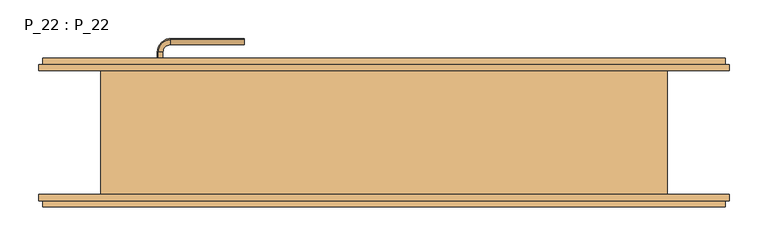
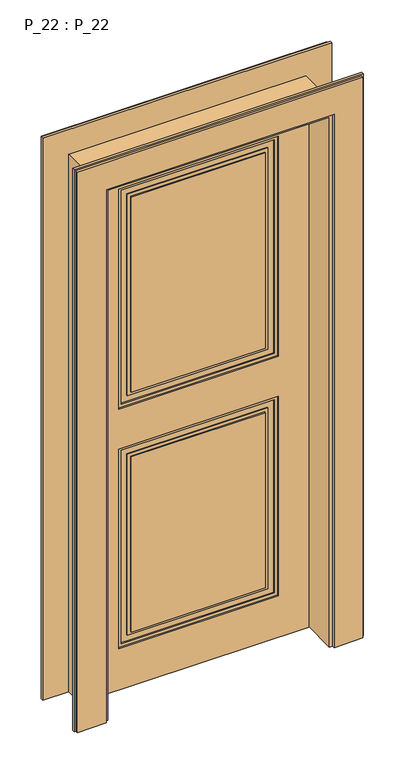
"""IFC4 building model written with IfcOpenShell, lengths in millimetres: door geometry, P_22 : P_22."""

from ifc_helpers import new_model, si_unit, point, frame, frame_2d, origin, origin_with_axes, place, context, project, spatial, polyline, circle_curve, ellipse_curve, trimmed, segment, composite_curve, outline, extrude, faceted_brep, source, transform, mapped, element, save
from ifc_brep_helpers import plane_surface, cylinder_surface, revolved_surface, extruded_surface, advanced_brep


def p_22_p_22_3d473e9b(model_context):
    return source(origin(), model_context, "Body", "SolidModel", [
        advanced_brep(
        [(-292.2384844, 79.0, 1113.1672527), (-287.7615156, 79.0, 1113.1672527), (-290.0, 79.0, 1113.1672527), (-290.0, 79.9065589, 1113.1672527)],
        [
            (0, 1, circle_curve(frame((-290.0, 79.0, 1113.1672527), z_axis=(0.0, -1.0, 0.0), x_axis=(1.0, 0.0, 0.0)), 2.2384844)),
            (1, 2),
            (2, 0),
            (1, 0, circle_curve(frame((-290.0, 79.0, 1113.1672527), z_axis=(0.0, -1.0, 0.0), x_axis=(1.0, 0.0, 0.0)), 2.2384844)),
            (3, 1, circle_curve(frame((-290.0, 76.6896352, 1113.1672527), z_axis=(0.0, 0.0, -1.0), x_axis=(0.0, 1.0, 0.0)), 3.2169236)),
            (0, 3, circle_curve(frame((-290.0, 76.6896352, 1113.1672527), z_axis=(0.0, 0.0, -1.0), x_axis=(0.0, 1.0, 0.0)), 3.2169236)),
        ],
        [
            plane_surface(frame((-290.0, 79.0, 1113.1672527), z_axis=(0.0, -1.0, 0.0), x_axis=(1.0, 0.0, 0.0))),
            revolved_surface(trimmed(ellipse_curve(frame((-290.0, 76.6896352, 1113.1672527), z_axis=(0.0, 0.0, 1.0), x_axis=(0.0, 1.0, 0.0)), 3.2169236, 3.2169236), [point((-287.7615156, 79.0, 1113.1672527))], [point((-290.0, 79.9065589, 1113.1672527))], True, "CARTESIAN"), (-290.0, 73.3869836, 1113.1672527), (0.0, 1.0, 0.0)),
        ],
        [
            (0, [[1, 2, 3]]),
            (0, [[4, -3, -2]]),
            (1, [[5, -1, 6]]),
            (1, [[-6, -4, -5]]),
        ],
    ),
        advanced_brep(
        [(-291.2627725, 88.5, 1057.25687), (-290.4701466, 88.5, 1054.910789), (-290.4701466, 88.5, 1045.089211), (-291.8631279, 88.5, 1043.0401367), (-180.0, 120.2627725, 1057.25687), (-180.0, 120.8631279, 1043.0401367), (-180.0, 119.4701466, 1045.089211), (-180.0, 119.4701466, 1054.910789), (-291.8631279, 104.0, 1043.0401367), (-291.2627725, 104.0, 1057.25687), (-275.0, 120.2627725, 1057.25687), (-275.0, 120.8631279, 1043.0401367), (-290.4701466, 104.0, 1054.910789), (-290.4701466, 104.0, 1045.089211), (-275.0, 119.4701466, 1054.910789), (-275.0, 119.4701466, 1045.089211)],
        [
            (0, 1, circle_curve(frame((-291.0289365, 88.5, 1056.0289365), z_axis=(0.0, -1.0, 0.0), x_axis=(-1.0, 0.0, 0.0)), 1.25)),
            (1, 2, ellipse_curve(frame((-290.0, 88.5, 1050.0), z_axis=(0.0, 1.0, 0.0), x_axis=(1.0, 0.0, 0.0)), 2.5, 5.0)),
            (2, 3, circle_curve(frame((-291.0289365, 88.5, 1043.9710635), z_axis=(0.0, -1.0, 0.0), x_axis=(-1.0, 0.0, 0.0)), 1.25)),
            (3, 0, ellipse_curve(frame((-290.0, 88.5, 1050.0), z_axis=(0.0, -1.0, 0.0), x_axis=(0.0, 0.0, -1.0)), 7.5, 5.0)),
            (4, 5, ellipse_curve(frame((-180.0, 119.0, 1050.0), z_axis=(1.0, 0.0, 0.0), x_axis=(0.0, 0.0, -1.0)), 7.5, 5.0)),
            (5, 6, circle_curve(frame((-180.0, 120.0289365, 1043.9710635), z_axis=(1.0, 0.0, 0.0), x_axis=(0.0, 1.0, 0.0)), 1.25)),
            (6, 7, ellipse_curve(frame((-180.0, 119.0, 1050.0), z_axis=(-1.0, 0.0, 0.0), x_axis=(0.0, -1.0, 0.0)), 2.5, 5.0)),
            (7, 4, circle_curve(frame((-180.0, 120.0289365, 1056.0289365), z_axis=(1.0, 0.0, 0.0), x_axis=(0.0, 1.0, 0.0)), 1.25)),
            (3, 8),
            (8, 9, ellipse_curve(frame((-290.0, 104.0, 1050.0), z_axis=(0.0, -1.0, 0.0), x_axis=(0.0, 0.0, -1.0)), 7.5, 5.0)),
            (9, 0),
            (10, 11, ellipse_curve(frame((-275.0, 119.0, 1050.0), z_axis=(1.0, 0.0, 0.0), x_axis=(0.0, 0.0, -1.0)), 7.5, 5.0)),
            (11, 5),
            (4, 10),
            (9, 12, circle_curve(frame((-291.0289365, 104.0, 1056.0289365), z_axis=(0.0, -1.0, 0.0), x_axis=(-1.0, 0.0, 0.0)), 1.25)),
            (12, 1),
            (12, 13, ellipse_curve(frame((-290.0, 104.0, 1050.0), z_axis=(0.0, 1.0, 0.0), x_axis=(0.0, 0.0, -1.0)), 5.0, 2.5)),
            (13, 2),
            (13, 8, circle_curve(frame((-291.0289365, 104.0, 1043.9710635), z_axis=(0.0, -1.0, 0.0), x_axis=(-1.0, 0.0, 0.0)), 1.25)),
            (14, 10, circle_curve(frame((-275.0, 120.0289365, 1056.0289365), z_axis=(1.0, 0.0, 0.0), x_axis=(0.0, 1.0, 0.0)), 1.25)),
            (7, 14),
            (15, 14, ellipse_curve(frame((-275.0, 119.0, 1050.0), z_axis=(-1.0, 0.0, 0.0), x_axis=(0.0, 0.0, -1.0)), 5.0, 2.5)),
            (6, 15),
            (11, 15, circle_curve(frame((-275.0, 120.0289365, 1043.9710635), z_axis=(1.0, 0.0, 0.0), x_axis=(0.0, 1.0, 0.0)), 1.25)),
            (14, 12, circle_curve(frame((-275.0, 104.0, 1054.910789), z_axis=(0.0, 0.0, 1.0), x_axis=(-1.0, 0.0, 0.0)), 15.4701466)),
            (9, 10, circle_curve(frame((-275.0, 104.0, 1057.25687), z_axis=(0.0, 0.0, -1.0), x_axis=(-1.0, 0.0, 0.0)), 16.2627725)),
            (15, 13, circle_curve(frame((-275.0, 104.0, 1045.089211), z_axis=(0.0, 0.0, 1.0), x_axis=(-1.0, 0.0, 0.0)), 15.4701466)),
            (11, 8, circle_curve(frame((-275.0, 104.0, 1043.0401367), z_axis=(0.0, 0.0, 1.0), x_axis=(-1.0, 0.0, 0.0)), 16.8631279)),
        ],
        [
            plane_surface(frame((-290.0, 88.5, -80.0), z_axis=(0.0, -1.0, 0.0), x_axis=(0.0, 0.0, 1.0))),
            plane_surface(frame((-180.0, 119.0, -80.0), z_axis=(1.0, 0.0, 0.0), x_axis=(0.0, 0.0, 1.0))),
            extruded_surface(trimmed(ellipse_curve(frame((-290.0, 104.0, 1050.0), z_axis=(0.0, -1.0, 0.0), x_axis=(0.0, 0.0, -1.0)), 7.5, 5.0), [point((-291.8631279, 104.0, 1043.0401367))], [point((-291.2627725, 104.0, 1057.25687))], True, "CARTESIAN"), (0.0, -15.5, 0.0), 15.5),
            extruded_surface(trimmed(ellipse_curve(frame((-180.0, 119.0, 1050.0), z_axis=(-1.0, 0.0, 0.0), x_axis=(0.0, 0.0, -1.0)), 7.5, 5.0), [point((-180.0, 120.8631279, 1043.0401367))], [point((-180.0, 120.2627725, 1057.25687))], True, "CARTESIAN"), (-95.0, 0.0, 0.0), 95.0),
            cylinder_surface(frame((-291.0289365, 88.5, 1056.0289365), z_axis=(0.0, -1.0, 0.0), x_axis=(-1.0, 0.0, 0.0)), 1.25),
            extruded_surface(trimmed(ellipse_curve(frame((-290.0, 104.0, 1050.0), z_axis=(0.0, 1.0, 0.0), x_axis=(1.0, 0.0, 0.0)), 2.5, 5.0), [point((-290.4701466, 104.0, 1054.910789))], [point((-290.4701466, 104.0, 1045.089211))], True, "CARTESIAN"), (0.0, -15.5, 0.0), 15.5),
            cylinder_surface(frame((-291.0289365, 88.5, 1043.9710635), z_axis=(0.0, -1.0, 0.0), x_axis=(-1.0, 0.0, 0.0)), 1.25),
            cylinder_surface(frame((-275.0, 120.0289365, 1056.0289365), z_axis=(-1.0, 0.0, 0.0), x_axis=(0.0, 1.0, 0.0)), 1.25),
            extruded_surface(trimmed(ellipse_curve(frame((-180.0, 119.0, 1050.0), z_axis=(1.0, 0.0, 0.0), x_axis=(0.0, -1.0, 0.0)), 2.5, 5.0), [point((-180.0, 119.4701466, 1054.910789))], [point((-180.0, 119.4701466, 1045.089211))], True, "CARTESIAN"), (-95.0, 0.0, 0.0), 95.0),
            cylinder_surface(frame((-275.0, 120.0289365, 1043.9710635), z_axis=(-1.0, 0.0, 0.0), x_axis=(0.0, 1.0, 0.0)), 1.25),
            revolved_surface(trimmed(ellipse_curve(frame((-291.0289365, 104.0, 1056.0289365), z_axis=(0.0, -1.0, 0.0), x_axis=(-1.0, 0.0, 0.0)), 1.25, 1.25), [point((-291.2627725, 104.0, 1057.25687))], [point((-290.4701466, 104.0, 1054.910789))], True, "CARTESIAN"), (-275.0, 104.0, -80.0), (0.0, 0.0, -1.0)),
            revolved_surface(trimmed(ellipse_curve(frame((-290.0, 104.0, 1050.0), z_axis=(0.0, 1.0, 0.0), x_axis=(1.0, 0.0, 0.0)), 2.5, 5.0), [point((-290.4701466, 104.0, 1054.910789))], [point((-290.4701466, 104.0, 1045.089211))], True, "CARTESIAN"), (-275.0, 104.0, -80.0), (0.0, 0.0, -1.0)),
            revolved_surface(trimmed(ellipse_curve(frame((-291.0289365, 104.0, 1043.9710635), z_axis=(0.0, -1.0, 0.0), x_axis=(-1.0, 0.0, 0.0)), 1.25, 1.25), [point((-290.4701466, 104.0, 1045.089211))], [point((-291.8631279, 104.0, 1043.0401367))], True, "CARTESIAN"), (-275.0, 104.0, -80.0), (0.0, 0.0, -1.0)),
            revolved_surface(trimmed(ellipse_curve(frame((-290.0, 104.0, 1050.0), z_axis=(0.0, -1.0, 0.0), x_axis=(0.0, 0.0, -1.0)), 7.5, 5.0), [point((-291.8631279, 104.0, 1043.0401367))], [point((-291.2627725, 104.0, 1057.25687))], True, "CARTESIAN"), (-275.0, 104.0, -80.0), (0.0, 0.0, -1.0)),
        ],
        [
            (0, [[1, 2, 3, 4]]),
            (1, [[5, 6, 7, 8]]),
            (2, [[-4, 9, 10, 11]]),
            (3, [[12, 13, -5, 14]]),
            (4, [[-1, -11, 15, 16]]),
            (5, [[-2, -16, 17, 18]]),
            (6, [[-3, -18, 19, -9]]),
            (7, [[20, -14, -8, 21]]),
            (8, [[22, -21, -7, 23]]),
            (9, [[24, -23, -6, -13]]),
            (10, [[25, -15, 26, -20]]),
            (11, [[27, -17, -25, -22]]),
            (12, [[28, -19, -27, -24]]),
            (13, [[-26, -10, -28, -12]]),
        ],
    ),
        advanced_brep(
        [(-282.5, 88.5, 1050.0), (-297.5, 88.5, 1050.0), (-290.0, 88.5, 1050.0), (-280.0, 86.0, 1050.0), (-300.0, 86.0, 1050.0), (-280.0, 79.0, 1050.0), (-300.0, 79.0, 1050.0), (-290.0, 79.0, 1050.0)],
        [
            (0, 1, circle_curve(frame((-290.0, 88.5, 1050.0), z_axis=(0.0, 1.0, 0.0), x_axis=(-1.0, 0.0, 0.0)), 7.5)),
            (1, 2),
            (2, 0),
            (1, 0, circle_curve(frame((-290.0, 88.5, 1050.0), z_axis=(0.0, 1.0, 0.0), x_axis=(-1.0, 0.0, 0.0)), 7.5)),
            (3, 4, circle_curve(frame((-290.0, 86.0, 1050.0), z_axis=(0.0, 1.0, 0.0), x_axis=(-1.0, 0.0, 0.0)), 10.0)),
            (4, 1, circle_curve(frame((-297.5, 86.0, 1050.0), z_axis=(0.0, 0.0, -1.0), x_axis=(1.0, 0.0, 0.0)), 2.5)),
            (0, 3, circle_curve(frame((-282.5, 86.0, 1050.0), z_axis=(0.0, 0.0, -1.0), x_axis=(-1.0, 0.0, 0.0)), 2.5)),
            (4, 3, circle_curve(frame((-290.0, 86.0, 1050.0), z_axis=(0.0, 1.0, 0.0), x_axis=(-1.0, 0.0, 0.0)), 10.0)),
            (5, 6, circle_curve(frame((-290.0, 79.0, 1050.0), z_axis=(0.0, 1.0, 0.0), x_axis=(-1.0, 0.0, 0.0)), 10.0)),
            (6, 4),
            (3, 5),
            (6, 5, circle_curve(frame((-290.0, 79.0, 1050.0), z_axis=(0.0, 1.0, 0.0), x_axis=(-1.0, 0.0, 0.0)), 10.0)),
            (7, 6),
            (5, 7),
        ],
        [
            plane_surface(frame((-290.0, 88.5, 1050.0), z_axis=(0.0, 1.0, 0.0), x_axis=(-1.0, 0.0, 0.0))),
            revolved_surface(trimmed(ellipse_curve(frame((-297.5, 86.0, 1050.0), z_axis=(0.0, 0.0, 1.0), x_axis=(1.0, 0.0, 0.0)), 2.5, 2.5), [point((-297.5, 88.5, 1050.0))], [point((-300.0, 86.0, 1050.0))], True, "CARTESIAN"), (-290.0, 86.0, 1050.0), (0.0, -1.0, 0.0)),
            cylinder_surface(frame((-290.0, 86.0, 1050.0), z_axis=(0.0, -1.0, 0.0), x_axis=(-1.0, 0.0, 0.0)), 10.0),
            plane_surface(frame((-290.0, 79.0, 1050.0), z_axis=(0.0, -1.0, 0.0), x_axis=(-1.0, 0.0, 0.0))),
        ],
        [
            (0, [[1, 2, 3]]),
            (0, [[4, -3, -2]]),
            (1, [[5, 6, -1, 7]]),
            (1, [[8, -7, -4, -6]]),
            (2, [[9, 10, -5, 11]]),
            (2, [[12, -11, -8, -10]]),
            (3, [[13, -9, 14]]),
            (3, [[-14, -12, -13]]),
        ],
    ),
        advanced_brep(
        [(-292.2384844, 79.0, 926.8327473), (-287.7615156, 79.0, 926.8327473), (-290.0, 79.0, 926.8327473), (-290.0, 79.9065589, 926.8327473)],
        [
            (0, 1, circle_curve(frame((-290.0, 79.0, 926.8327473), z_axis=(0.0, -1.0, 0.0), x_axis=(1.0, 0.0, 0.0)), 2.2384844)),
            (1, 2),
            (2, 0),
            (1, 0, circle_curve(frame((-290.0, 79.0, 926.8327473), z_axis=(0.0, -1.0, 0.0), x_axis=(1.0, 0.0, 0.0)), 2.2384844)),
            (3, 1, circle_curve(frame((-290.0, 76.6896352, 926.8327473), z_axis=(0.0, 0.0, -1.0), x_axis=(0.0, 1.0, 0.0)), 3.2169236)),
            (0, 3, circle_curve(frame((-290.0, 76.6896352, 926.8327473), z_axis=(0.0, 0.0, -1.0), x_axis=(0.0, 1.0, 0.0)), 3.2169236)),
        ],
        [
            plane_surface(frame((-290.0, 79.0, 926.8327473), z_axis=(0.0, -1.0, 0.0), x_axis=(1.0, 0.0, 0.0))),
            revolved_surface(trimmed(ellipse_curve(frame((-290.0, 76.6896352, 926.8327473), z_axis=(0.0, 0.0, 1.0), x_axis=(0.0, 1.0, 0.0)), 3.2169236, 3.2169236), [point((-287.7615156, 79.0, 926.8327473))], [point((-290.0, 79.9065589, 926.8327473))], True, "CARTESIAN"), (-290.0, 73.3869836, 926.8327473), (0.0, 1.0, 0.0)),
        ],
        [
            (0, [[1, 2, 3]]),
            (0, [[4, -3, -2]]),
            (1, [[5, -1, 6]]),
            (1, [[-6, -4, -5]]),
        ],
    ),
        extrude(outline(composite_curve([segment(trimmed(circle_curve(frame_2d((926.8212317, -290.0)), 2.0), [point((926.8212317, -292.0))], [point((926.8212317, -288.0))], False, "CARTESIAN"), True, "CONTINUOUS"), segment(trimmed(circle_curve(frame_2d((926.8212317, -290.0)), 2.0), [point((926.8212317, -288.0))], [point((926.8212317, -292.0))], False, "CARTESIAN"), True, "CONTINUOUS")], self_intersect=False)), frame((0.0, 76.0, 0.0), z_axis=(0.0, 1.0, 0.0), x_axis=(0.0, 0.0, 1.0)), (0.0, 0.0, 1.0), 3.0),
        extrude(outline(composite_curve([segment(trimmed(circle_curve(frame_2d((1113.1787683, -290.0)), 2.0), [point((1113.1787683, -292.0))], [point((1113.1787683, -288.0))], False, "CARTESIAN"), True, "CONTINUOUS"), segment(trimmed(circle_curve(frame_2d((1113.1787683, -290.0)), 2.0), [point((1113.1787683, -288.0))], [point((1113.1787683, -292.0))], False, "CARTESIAN"), True, "CONTINUOUS")], self_intersect=False)), frame((0.0, 76.0, 0.0), z_axis=(0.0, 1.0, 0.0), x_axis=(0.0, 0.0, 1.0)), (0.0, 0.0, 1.0), 3.0),
        extrude(outline(composite_curve([segment(polyline([(966.9098301, -295.0), (950.0, -295.0)]), True, "CONTINUOUS"), segment(trimmed(circle_curve(frame_2d((950.0, -290.0)), 5.0), [point((950.0, -295.0))], [point((950.0, -285.0))], False, "CARTESIAN"), True, "CONTINUOUS"), segment(polyline([(950.0, -285.0), (966.9098301, -285.0)]), True, "CONTINUOUS"), segment(trimmed(circle_curve(frame_2d((972.5, -290.0)), 7.5), [point((966.9098301, -285.0))], [point((966.9098301, -295.0))], False, "CARTESIAN"), True, "CONTINUOUS")], self_intersect=False)), frame((0.0, 76.0, 0.0), z_axis=(0.0, 1.0, 0.0), x_axis=(0.0, 0.0, 1.0)), (0.0, 0.0, 1.0), 2.0),
        extrude(outline(composite_curve([segment(trimmed(circle_curve(frame_2d((1100.0, -290.0)), 20.0), [point((1100.0, -270.0))], [point((1100.0, -310.0))], False, "CARTESIAN"), True, "CONTINUOUS"), segment(polyline([(1100.0, -310.0), (940.0, -310.0)]), True, "CONTINUOUS"), segment(trimmed(circle_curve(frame_2d((940.0, -290.0)), 20.0), [point((940.0, -310.0))], [point((940.0, -270.0))], False, "CARTESIAN"), True, "CONTINUOUS"), segment(polyline([(940.0, -270.0), (1100.0, -270.0)]), True, "CONTINUOUS")], self_intersect=False), holes=[composite_curve([segment(polyline([(966.9098301, -285.0), (950.0, -285.0)]), True, "CONTINUOUS"), segment(trimmed(circle_curve(frame_2d((950.0, -290.0)), 5.0), [point((950.0, -285.0))], [point((950.0, -295.0))], True, "CARTESIAN"), True, "CONTINUOUS"), segment(polyline([(950.0, -295.0), (966.9098301, -295.0)]), True, "CONTINUOUS"), segment(trimmed(circle_curve(frame_2d((972.5, -290.0)), 7.5), [point((966.9098301, -295.0))], [point((966.9098301, -285.0))], True, "CARTESIAN"), True, "CONTINUOUS")], self_intersect=False), composite_curve([segment(trimmed(circle_curve(frame_2d((1113.1787683, -290.0)), 2.0), [point((1113.1787683, -288.0))], [point((1113.1787683, -292.0))], True, "CARTESIAN"), True, "CONTINUOUS"), segment(trimmed(circle_curve(frame_2d((1113.1787683, -290.0)), 2.0), [point((1113.1787683, -292.0))], [point((1113.1787683, -288.0))], True, "CARTESIAN"), True, "CONTINUOUS")], self_intersect=False), composite_curve([segment(trimmed(circle_curve(frame_2d((926.8212317, -290.0)), 2.0), [point((926.8212317, -288.0))], [point((926.8212317, -292.0))], True, "CARTESIAN"), True, "CONTINUOUS"), segment(trimmed(circle_curve(frame_2d((926.8212317, -290.0)), 2.0), [point((926.8212317, -292.0))], [point((926.8212317, -288.0))], True, "CARTESIAN"), True, "CONTINUOUS")], self_intersect=False)]), frame((0.0, 76.0, 0.0), z_axis=(0.0, 1.0, 0.0), x_axis=(0.0, 0.0, 1.0)), (0.0, 0.0, 1.0), 3.0),
        extrude(outline(polyline([(1631.0, 246.0), (1631.0, -246.0), (915.0, -246.0), (915.0, 246.0), (1631.0, 246.0)]), holes=[polyline([(1621.0, 236.0), (925.0, 236.0), (925.0, -236.0), (1621.0, -236.0), (1621.0, 236.0)])]), frame((0.0, 68.0, 0.0), z_axis=(0.0, 1.0, 0.0), x_axis=(0.0, 0.0, 1.0)), (0.0, 0.0, 1.0), 4.0),
        extrude(outline(polyline([(785.0, 246.0), (785.0, -246.0), (135.0, -246.0), (135.0, 246.0), (785.0, 246.0)]), holes=[polyline([(775.0, 236.0), (145.0, 236.0), (145.0, -236.0), (775.0, -236.0), (775.0, 236.0)])]), frame((0.0, 68.0, 0.0), z_axis=(0.0, 1.0, 0.0), x_axis=(0.0, 0.0, 1.0)), (0.0, 0.0, 1.0), 4.0),
        extrude(outline(polyline([(1601.0, 216.0), (1601.0, -216.0), (945.0, -216.0), (945.0, 216.0), (1601.0, 216.0)]), holes=[polyline([(1591.0, 206.0), (955.0, 206.0), (955.0, -206.0), (1591.0, -206.0), (1591.0, 206.0)])]), frame((0.0, 68.0, 0.0), z_axis=(0.0, 1.0, 0.0), x_axis=(0.0, 0.0, 1.0)), (0.0, 0.0, 1.0), 4.0),
        extrude(outline(polyline([(755.0, 216.0), (755.0, -216.0), (165.0, -216.0), (165.0, 216.0), (755.0, 216.0)]), holes=[polyline([(745.0, 206.0), (175.0, 206.0), (175.0, -206.0), (745.0, -206.0), (745.0, 206.0)])]), frame((0.0, 68.0, 0.0), z_axis=(0.0, 1.0, 0.0), x_axis=(0.0, 0.0, 1.0)), (0.0, 0.0, 1.0), 4.0),
        extrude(outline(polyline([(-206.0, 76.0), (206.0, 76.0), (206.0, 68.0), (-206.0, 68.0), (-206.0, 76.0)])), frame((0.0, 0.0, 175.0), z_axis=(0.0, 0.0, 1.0), x_axis=(1.0, 0.0, 0.0)), (0.0, 0.0, 1.0), 570.0),
        extrude(outline(polyline([(1725.0, 340.0), (1725.0, -340.0), (0.0, -340.0), (0.0, 340.0), (1725.0, 340.0)]), holes=[polyline([(1631.0, 246.0), (915.0, 246.0), (915.0, -246.0), (1631.0, -246.0), (1631.0, 246.0)]), polyline([(135.0, 246.0), (135.0, -246.0), (785.0, -246.0), (785.0, 246.0), (135.0, 246.0)])]), frame((0.0, 68.0, 0.0), z_axis=(0.0, 1.0, 0.0), x_axis=(0.0, 0.0, 1.0)), (0.0, 0.0, 1.0), 8.0),
        extrude(outline(polyline([(-206.0, 76.0), (206.0, 76.0), (206.0, 68.0), (-206.0, 68.0), (-206.0, 76.0)])), frame((0.0, 0.0, 955.0), z_axis=(0.0, 0.0, 1.0), x_axis=(1.0, 0.0, 0.0)), (0.0, 0.0, 1.0), 636.0),
        extrude(outline(polyline([(785.0, 246.0), (785.0, -246.0), (135.0, -246.0), (135.0, 246.0), (785.0, 246.0)]), holes=[polyline([(775.0, 236.0), (145.0, 236.0), (145.0, -236.0), (775.0, -236.0), (775.0, 236.0)])]), frame((0.0, 24.0, 0.0), z_axis=(0.0, 1.0, 0.0), x_axis=(0.0, 0.0, 1.0)), (0.0, 0.0, 1.0), 4.0),
        extrude(outline(polyline([(755.0, 216.0), (755.0, -216.0), (165.0, -216.0), (165.0, 216.0), (755.0, 216.0)]), holes=[polyline([(745.0, 206.0), (175.0, 206.0), (175.0, -206.0), (745.0, -206.0), (745.0, 206.0)])]), frame((0.0, 24.0, 0.0), z_axis=(0.0, 1.0, 0.0), x_axis=(0.0, 0.0, 1.0)), (0.0, 0.0, 1.0), 4.0),
        extrude(outline(polyline([(1631.0, 246.0), (1631.0, -246.0), (915.0, -246.0), (915.0, 246.0), (1631.0, 246.0)]), holes=[polyline([(1621.0, 236.0), (925.0, 236.0), (925.0, -236.0), (1621.0, -236.0), (1621.0, 236.0)])]), frame((0.0, 24.0, 0.0), z_axis=(0.0, 1.0, 0.0), x_axis=(0.0, 0.0, 1.0)), (0.0, 0.0, 1.0), 4.0),
        extrude(outline(polyline([(1601.0, 216.0), (1601.0, -216.0), (945.0, -216.0), (945.0, 216.0), (1601.0, 216.0)]), holes=[polyline([(1591.0, 206.0), (955.0, 206.0), (955.0, -206.0), (1591.0, -206.0), (1591.0, 206.0)])]), frame((0.0, 24.0, 0.0), z_axis=(0.0, 1.0, 0.0), x_axis=(0.0, 0.0, 1.0)), (0.0, 0.0, 1.0), 4.0),
        extrude(outline(polyline([(1725.0, 340.0), (1725.0, -340.0), (0.0, -340.0), (0.0, 340.0), (1725.0, 340.0)]), holes=[polyline([(1631.0, 246.0), (915.0, 246.0), (915.0, -246.0), (1631.0, -246.0), (1631.0, 246.0)]), polyline([(135.0, 246.0), (135.0, -246.0), (785.0, -246.0), (785.0, 246.0), (135.0, 246.0)])]), frame((0.0, 20.0, 0.0), z_axis=(0.0, 1.0, 0.0), x_axis=(0.0, 0.0, 1.0)), (0.0, 0.0, 1.0), 8.0),
        extrude(outline(polyline([(206.0, 20.0), (-206.0, 20.0), (-206.0, 28.0), (206.0, 28.0), (206.0, 20.0)])), frame((0.0, 0.0, 175.0), z_axis=(0.0, 0.0, 1.0), x_axis=(1.0, 0.0, 0.0)), (0.0, 0.0, 1.0), 570.0),
        extrude(outline(polyline([(206.0, 20.0), (-206.0, 20.0), (-206.0, 28.0), (206.0, 28.0), (206.0, 20.0)])), frame((0.0, 0.0, 955.0), z_axis=(0.0, 0.0, 1.0), x_axis=(1.0, 0.0, 0.0)), (0.0, 0.0, 1.0), 636.0),
        extrude(outline(polyline([(345.0, 28.0), (-345.0, 28.0), (-345.0, 38.0), (345.0, 38.0), (345.0, 28.0)])), origin_with_axes(), (0.0, 0.0, 1.0), 1730.0),
        faceted_brep([(445.0, 80.0, 0.0), (365.0, 80.0, 0.0), (365.0, -80.0, 0.0), (445.0, -80.0, 0.0), (445.0, -88.0, 0.0), (440.0, -88.0, 0.0), (440.0, -96.0, 0.0), (351.0, -96.0, 0.0), (351.0, -88.0, 0.0), (341.0, -88.0, 0.0), (341.0, 28.0, 0.0), (351.0, 28.0, 0.0), (351.0, 96.0, 0.0), (440.0, 96.0, 0.0), (440.0, 88.0, 0.0), (445.0, 88.0, 0.0), (445.0, 80.0, 1830.0), (-445.0, 80.0, 1830.0), (-445.0, 80.0, 0.0), (-365.0, 80.0, 0.0), (-365.0, 80.0, 1750.0), (365.0, 80.0, 1750.0), (365.0, -80.0, 1750.0), (-365.0, -80.0, 1750.0), (-365.0, -80.0, 0.0), (-445.0, -80.0, 0.0), (-445.0, -80.0, 1830.0), (445.0, -80.0, 1830.0), (445.0, -88.0, 1830.0), (-445.0, -88.0, 1830.0), (-445.0, -88.0, 0.0), (-440.0, -88.0, 0.0), (-440.0, -88.0, 1825.0), (440.0, -88.0, 1825.0), (440.0, -96.0, 1825.0), (-440.0, -96.0, 1825.0), (-440.0, -96.0, 0.0), (-351.0, -96.0, 0.0), (-351.0, -96.0, 1736.0), (351.0, -96.0, 1736.0), (351.0, -88.0, 1736.0), (-351.0, -88.0, 1736.0), (-351.0, -88.0, 0.0), (-341.0, -88.0, 0.0), (-341.0, -88.0, 1726.0), (341.0, -88.0, 1726.0), (341.0, 28.0, 1726.0), (-341.0, 28.0, 1726.0), (-341.0, 28.0, 0.0), (-351.0, 28.0, 0.0), (-351.0, 28.0, 1736.0), (351.0, 28.0, 1736.0), (351.0, 96.0, 1736.0), (-351.0, 96.0, 1736.0), (-351.0, 96.0, 0.0), (-440.0, 96.0, 0.0), (-440.0, 96.0, 1825.0), (440.0, 96.0, 1825.0), (440.0, 88.0, 1825.0), (-440.0, 88.0, 1825.0), (-440.0, 88.0, 0.0), (-445.0, 88.0, 0.0), (-445.0, 88.0, 1830.0), (445.0, 88.0, 1830.0)], [[[0, 1, 2, 3, 4, 5, 6, 7, 8, 9, 10, 11, 12, 13, 14, 15]], [[1, 0, 16, 17, 18, 19, 20, 21]], [[2, 1, 21, 22]], [[3, 2, 22, 23, 24, 25, 26, 27]], [[4, 3, 27, 28]], [[5, 4, 28, 29, 30, 31, 32, 33]], [[6, 5, 33, 34]], [[7, 6, 34, 35, 36, 37, 38, 39]], [[8, 7, 39, 40]], [[9, 8, 40, 41, 42, 43, 44, 45]], [[10, 9, 45, 46]], [[11, 10, 46, 47, 48, 49, 50, 51]], [[12, 11, 51, 52]], [[13, 12, 52, 53, 54, 55, 56, 57]], [[14, 13, 57, 58]], [[15, 14, 58, 59, 60, 61, 62, 63]], [[0, 15, 63, 16]], [[17, 62, 61, 18]], [[18, 61, 60, 55, 54, 49, 48, 43, 42, 37, 36, 31, 30, 25, 24, 19]], [[23, 20, 19, 24]], [[29, 26, 25, 30]], [[47, 44, 43, 48]], [[53, 50, 49, 54]], [[59, 56, 55, 60]], [[41, 38, 37, 42]], [[35, 32, 31, 36]], [[22, 21, 20, 23]], [[52, 51, 50, 53]], [[58, 57, 56, 59]], [[16, 63, 62, 17]], [[28, 27, 26, 29]], [[34, 33, 32, 35]], [[40, 39, 38, 41]], [[46, 45, 44, 47]]]),
    ])


if __name__ == "__main__":
    model = new_model("IFC4")
    model_context = context("Model", 3, world=origin())
    ifc_project = project(units=[si_unit("LENGTHUNIT", "METRE", prefix="MILLI")], contexts=[model_context])
    site = spatial("IfcSite", under=ifc_project)
    building = spatial("IfcBuilding", under=site)
    placement = place(None, origin())
    p_22_p_22_shape = p_22_p_22_3d473e9b(model_context)
    element("IfcDoor", 1, ObjectType="P_22 : P_22", at=placement, inside=building, context=model_context, shape_type="MappedRepresentation", body=[
        mapped(p_22_p_22_shape, transform((0.0, 0.0, 0.0), x_axis=(1.0, 0.0, 0.0), y_axis=(0.0, 1.0, 0.0), z_axis=(0.0, 0.0, 1.0))),
    ])
    save(model, "model.ifc")
